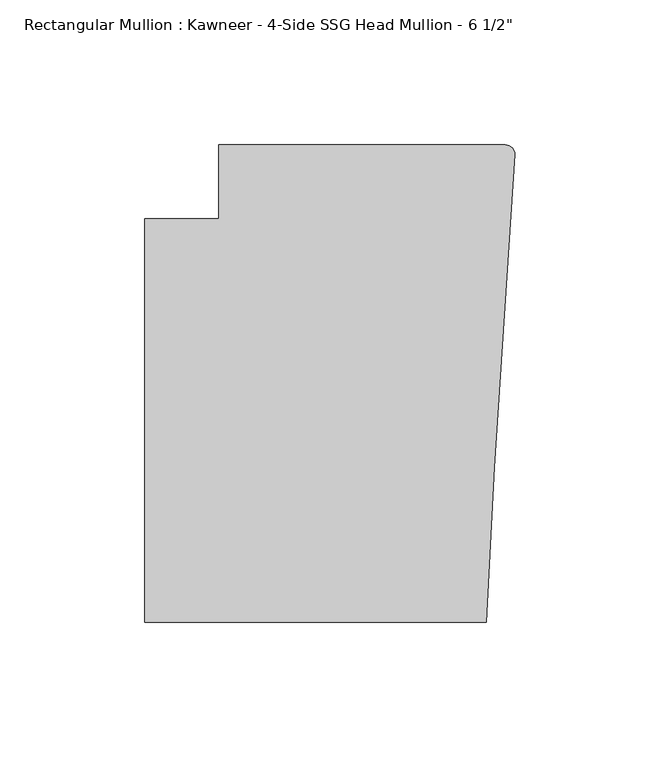
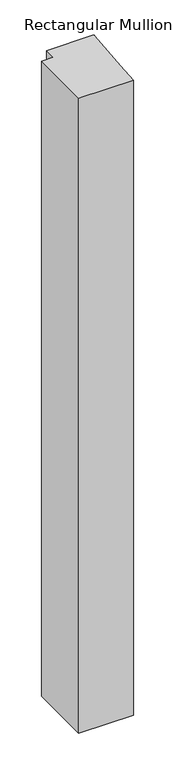
"""IFC4 building model written with IfcOpenShell, lengths in millimetres: member geometry."""

import ifcopenshell
import ifcopenshell.guid

model = None  # the IFC model being written
_history = None  # IfcOwnerHistory: only IFC2X3 demands one
_inside = {}  # id of a spatial element -> (the spatial element, [elements in it])
_under = {}  # id of a project, library or spatial element -> (it, [spatial elements below it])
_declared = {}  # id of a project -> (the project, [libraries it declares])
_typed = {}  # id of a type object -> (the type object, [elements of that type])
_made_of = {}  # id of a material, layer set ... -> (it, [elements and type objects made of it])


def new_model(schema):
    """Start an empty IFC model of exactly this schema.

    Asked for "IFC4X3", IfcOpenShell would pick the latest addendum, in which some entities
    have other attributes; the version numbers below select the first issue.
    IFC2X3 requires an IfcOwnerHistory on every rooted entity: one is made here for all.
    """
    global model, _history
    if schema == "IFC4X3":
        model = ifcopenshell.file(schema_version=(4, 3, 0, 0))
    else:
        model = ifcopenshell.file(schema=schema)
    _inside.clear()
    _under.clear()
    _declared.clear()
    _typed.clear()
    _made_of.clear()
    _history = None
    if model.schema == "IFC2X3":
        org = make("IfcOrganization", Name="unknown")
        user = make(
            "IfcPersonAndOrganization",
            ThePerson=make("IfcPerson", FamilyName="unknown"),
            TheOrganization=org,
        )
        app = make(
            "IfcApplication",
            ApplicationDeveloper=org,
            Version="unknown",
            ApplicationFullName="unknown",
            ApplicationIdentifier="unknown",
        )
        _history = make(
            "IfcOwnerHistory",
            OwningUser=user,
            OwningApplication=app,
            ChangeAction="ADDED",
            CreationDate=0,
        )
    return model


def make(cls, **values):
    """One entity of the class cls with the attributes given. An attribute that is None is left unset."""
    return model.create_entity(
        cls, **{name: value for name, value in values.items() if value is not None}
    )


def rooted(cls, **values):
    """An entity with a GlobalId (a new one), such as an element, a storey or a relation."""
    return make(cls, GlobalId=ifcopenshell.guid.new(), OwnerHistory=_history, **values)


def si_unit(unit_type, name, prefix=None):
    """IfcSIUnit, for example si_unit("LENGTHUNIT", "METRE", prefix="MILLI")."""
    return make("IfcSIUnit", UnitType=unit_type, Prefix=prefix, Name=name)


def assignment(units):
    """IfcUnitAssignment: the units of a project."""
    return None if units is None else make("IfcUnitAssignment", Units=units)


def point(xyz):
    """IfcCartesianPoint."""
    return None if xyz is None else make("IfcCartesianPoint", Coordinates=xyz)


def direction(xyz):
    """IfcDirection."""
    return None if xyz is None else make("IfcDirection", DirectionRatios=xyz)


def frame(location, z_axis=None, x_axis=None):
    """IfcAxis2Placement3D, a coordinate frame: its origin and axes. An axis left out is left unset."""
    return make(
        "IfcAxis2Placement3D",
        Location=point(location),
        Axis=direction(z_axis),
        RefDirection=direction(x_axis),
    )


def frame_2d(location, x_axis=None):
    """IfcAxis2Placement2D, a coordinate frame in the plane: its origin and x axis."""
    return make(
        "IfcAxis2Placement2D", Location=point(location), RefDirection=direction(x_axis)
    )


def origin():
    """The frame at (0, 0, 0) with its axes left unset."""
    return frame((0.0, 0.0, 0.0))


def place(relative_to, where):
    """IfcLocalPlacement: puts the frame where relative to a parent placement (None: the world)."""
    return make(
        "IfcLocalPlacement", PlacementRelTo=relative_to, RelativePlacement=where
    )


def context(
    kind, dimensions, precision=None, world=None, true_north=None, identifier=None
):
    """IfcGeometricRepresentationContext, for example the 3D "Model" context."""
    return make(
        "IfcGeometricRepresentationContext",
        ContextIdentifier=identifier,
        ContextType=kind,
        CoordinateSpaceDimension=dimensions,
        Precision=precision,
        WorldCoordinateSystem=world,
        TrueNorth=true_north,
    )


def project(units=None, contexts=None):
    """IfcProject with its units and contexts."""
    return rooted(
        "IfcProject",
        Name="project",
        RepresentationContexts=contexts,
        UnitsInContext=assignment(units),
    )


def spatial(cls, under=None, at=None, **own):
    """A site, building, storey or space (cls), placed at a placement, below another one or the project."""
    s = rooted(cls, ObjectPlacement=at, **own)
    if under is not None:
        _under.setdefault(under.id(), (under, []))[1].append(s)
    return s


def polyline(points):
    """IfcPolyline through the points."""
    return make("IfcPolyline", Points=[point(p) for p in points])


def circle_curve(where, radius):
    """IfcCircle in the frame where."""
    return make("IfcCircle", Position=where, Radius=radius)


def trimmed(basis, trim1, trim2, sense, master):
    """IfcTrimmedCurve: the piece of a basis curve between two trims."""
    return make(
        "IfcTrimmedCurve",
        BasisCurve=basis,
        Trim1=trim1,
        Trim2=trim2,
        SenseAgreement=sense,
        MasterRepresentation=master,
    )


def segment(curve, same_sense, transition):
    """IfcCompositeCurveSegment."""
    return make(
        "IfcCompositeCurveSegment",
        Transition=transition,
        SameSense=same_sense,
        ParentCurve=curve,
    )


def composite_curve(segments, self_intersect=None):
    """IfcCompositeCurve: segments joined end to end."""
    return make("IfcCompositeCurve", Segments=segments, SelfIntersect=self_intersect)


def outline(outer, holes=None, kind="AREA"):
    """IfcArbitraryClosedProfileDef: a profile drawn as a closed curve; with holes, ...WithVoids."""
    if holes is None:
        return make("IfcArbitraryClosedProfileDef", ProfileType=kind, OuterCurve=outer)
    return make(
        "IfcArbitraryProfileDefWithVoids",
        ProfileType=kind,
        OuterCurve=outer,
        InnerCurves=holes,
    )


def extrude(swept, where, along, depth):
    """IfcExtrudedAreaSolid: the profile swept, set in the frame where, extruded along a direction by depth."""
    return make(
        "IfcExtrudedAreaSolid",
        SweptArea=swept,
        Position=where,
        ExtrudedDirection=direction(along),
        Depth=depth,
    )


def shape(context_of_items, identifier, shape_type, items):
    """IfcShapeRepresentation: the items that make up one representation, for example the "Body"."""
    return make(
        "IfcShapeRepresentation",
        ContextOfItems=context_of_items,
        RepresentationIdentifier=identifier,
        RepresentationType=shape_type,
        Items=items,
    )


def source(mapping_origin, context_of_items, identifier, shape_type, items):
    """IfcRepresentationMap: a shape defined once, which mapped items show again and again."""
    return make(
        "IfcRepresentationMap",
        MappingOrigin=mapping_origin,
        MappedRepresentation=shape(context_of_items, identifier, shape_type, items),
    )


def transform(
    local_origin,
    x_axis=None,
    y_axis=None,
    z_axis=None,
    scale=None,
    scale2=None,
    scale3=None,
    uniform=True,
):
    """IfcCartesianTransformationOperator3D, or its non-uniform kind. x_axis, y_axis, z_axis: its Axis1, 2, 3."""
    if uniform:
        return make(
            "IfcCartesianTransformationOperator3D",
            Axis1=direction(x_axis),
            Axis2=direction(y_axis),
            LocalOrigin=point(local_origin),
            Scale=scale,
            Axis3=direction(z_axis),
        )
    return make(
        "IfcCartesianTransformationOperator3DnonUniform",
        Axis1=direction(x_axis),
        Axis2=direction(y_axis),
        LocalOrigin=point(local_origin),
        Scale=scale,
        Axis3=direction(z_axis),
        Scale2=scale2,
        Scale3=scale3,
    )


def mapped(mapping_source, mapping_target):
    """IfcMappedItem: shows the shape of a source again, moved by a transform."""
    return make(
        "IfcMappedItem", MappingSource=mapping_source, MappingTarget=mapping_target
    )


def made_of(thing, what):
    """Note that an element or type object is made of a material, layer set ...; save() writes the relation."""
    if what is not None:
        _made_of.setdefault(what.id(), (what, []))[1].append(thing)
    return thing


def element(
    cls,
    number,
    at=None,
    inside=None,
    cuts=None,
    type_object=None,
    material=None,
    context=None,
    identifier="Body",
    shape_type=None,
    held_by="IfcProductDefinitionShape",
    body=None,
    shapes=None,
    **own,
):
    """One element of the class cls, such as IfcWall. Its Tag is "e" and its number.

    at: its placement. inside: the storey or other place that contains it. cuts: it is an
    opening in that element (IfcRelVoidsElement). A single representation is given by context,
    identifier, shape_type and body (its items); several are given by shapes. held_by: the class
    of the entity that holds the representations. save() writes the other relations.
    """
    e = rooted(cls, Tag="e%d" % number, ObjectPlacement=at, **own)
    if body is not None:
        shapes = [shape(context, identifier, shape_type, body)]
    if shapes is not None:
        e.Representation = make(held_by, Representations=shapes)
    if inside is not None:
        _inside.setdefault(inside.id(), (inside, []))[1].append(e)
    if cuts is not None:
        rooted(
            "IfcRelVoidsElement", RelatingBuildingElement=cuts, RelatedOpeningElement=e
        )
    if type_object is not None:
        _typed.setdefault(type_object.id(), (type_object, []))[1].append(e)
    return made_of(e, material)


def aggregate(whole, parts):
    """IfcRelAggregates: a whole, such as a stair, and the parts it consists of."""
    return rooted("IfcRelAggregates", RelatingObject=whole, RelatedObjects=parts)


def save(model, path):
    """Write the relations noted so far, then the file.

    IfcRelAggregates (storeys below a building ...), IfcRelContainedInSpatialStructure (elements
    in a storey), IfcRelDefinesByType, IfcRelAssociatesMaterial and IfcRelDeclares: one each for
    every whole, place, type object, material and project.
    """
    for whole, parts in _under.values():
        aggregate(whole, parts)
    for where, things in _inside.values():
        rooted(
            "IfcRelContainedInSpatialStructure",
            RelatedElements=things,
            RelatingStructure=where,
        )
    for kind, things in _typed.values():
        rooted("IfcRelDefinesByType", RelatedObjects=things, RelatingType=kind)
    for what, things in _made_of.values():
        rooted("IfcRelAssociatesMaterial", RelatedObjects=things, RelatingMaterial=what)
    for by, libraries in _declared.values():
        rooted("IfcRelDeclares", RelatingContext=by, RelatedDefinitions=libraries)
    model.write(path)


def member_0ebdbb5e(model_context):
    return source(origin(), model_context, "Body", "SweptSolid", [
        extrude(outline(composite_curve([segment(polyline([(-102.08978, 12.7), (-3.175, 12.7)]), True, "CONTINUOUS"), segment(trimmed(circle_curve(frame_2d((-3.175, 9.525)), 3.175), [point((-3.175, 12.7))], [point((-0.006635, 9.3198462))], False, "CARTESIAN"), True, "CONTINUOUS"), segment(polyline([(-0.006635, 9.3198462), (-6.9873394, -98.4891117), (-9.7860662, -151.892), (-127.4896668, -151.892), (-127.4896668, -12.7), (-102.08978, -12.7), (-102.08978, 12.7)]), True, "CONTINUOUS")], self_intersect=False)), frame((0.0, 0.0, -1446.6651679), z_axis=(0.0, 0.0, 1.0), x_axis=(1.0, 0.0, 0.0)), (0.0, 0.0, 1.0), 1446.6651679),
    ])


if __name__ == "__main__":
    model = new_model("IFC4")
    model_context = context("Model", 3, world=origin())
    ifc_project = project(units=[si_unit("LENGTHUNIT", "METRE", prefix="MILLI")], contexts=[model_context])
    site = spatial("IfcSite", under=ifc_project)
    building = spatial("IfcBuilding", under=site)
    placement = place(None, origin())
    member_shape = member_0ebdbb5e(model_context)
    element("IfcMember", 1, ObjectType="Rectangular Mullion : Kawneer - 4-Side SSG Head Mullion - 6 1/2\"", at=placement, inside=building, context=model_context, shape_type="MappedRepresentation", body=[
        mapped(member_shape, transform((0.0, 0.0, 0.0), x_axis=(1.0, 0.0, 0.0), y_axis=(0.0, 1.0, 0.0), z_axis=(0.0, 0.0, 1.0))),
    ])
    save(model, "model.ifc")
